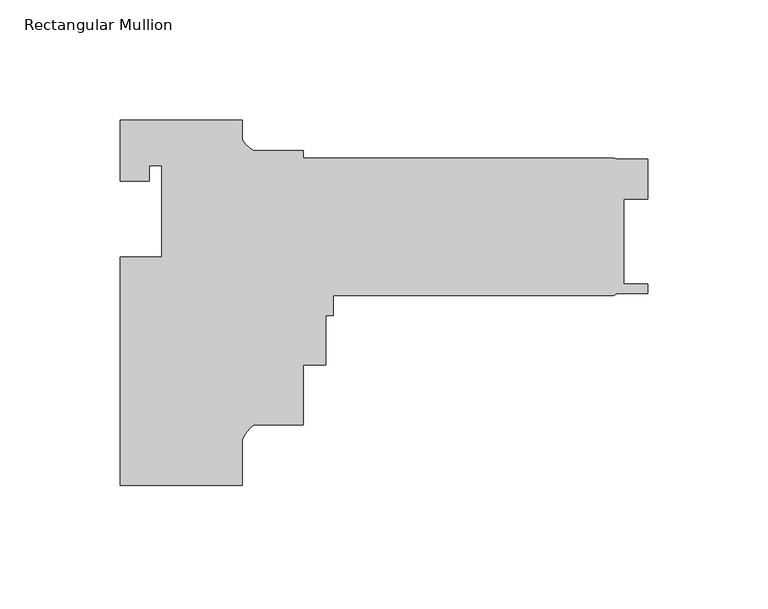
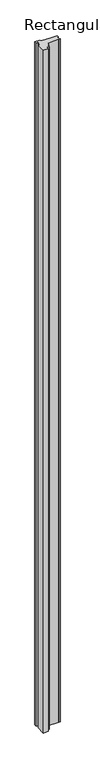
"""IFC4 building model written with IfcOpenShell, lengths in millimetres: member geometry, Rectangular Mullion."""

from ifc_helpers import new_model, si_unit, point, frame, frame_2d, origin, place, context, project, spatial, polyline, circle_curve, trimmed, segment, composite_curve, outline, extrude, source, transform, mapped, element, save


def rectangular_mullion_cdc114e5(model_context):
    return source(origin(), model_context, "Body", "SweptSolid", [
        extrude(outline(composite_curve([segment(polyline([(50.8, -165.1), (0.0, -165.1), (0.0, -69.85), (17.4498, -69.85), (17.4498, -31.75), (12.192, -31.75), (12.192, -38.1), (0.0, -38.1), (0.0, -12.7), (50.8, -12.7), (50.8, -20.9341168)]), True, "CONTINUOUS"), segment(trimmed(circle_curve(frame_2d((62.7094465, -12.906928)), 14.3621265), [point((50.8, -20.9341168))], [point((55.7723453, -25.4825911))], True, "CARTESIAN"), True, "CONTINUOUS"), segment(polyline([(55.7723453, -25.4825911), (76.1999898, -25.4825911), (76.1999898, -28.6575911), (205.5812398, -28.6575911), (207.4089978, -29.114791), (219.8560396, -29.114791), (219.8560396, -45.7771909), (209.8230398, -45.7771909), (209.8230398, -81.0450914), (219.8687398, -81.0450914), (219.8687398, -85.0138411), (207.0499589, -84.9596258), (205.5812398, -85.8075911), (88.8999898, -85.8075911), (88.8999898, -94.1133911), (85.7249898, -94.1133911), (85.7249898, -114.7381911), (76.1999898, -114.7381911), (76.1999898, -139.7825911), (55.6934851, -139.7825911)]), True, "CONTINUOUS"), segment(trimmed(circle_curve(frame_2d((64.9144624, -152.0639521)), 15.3576772), [point((55.6934851, -139.7825911))], [point((50.8, -146.0108371))], True, "CARTESIAN"), True, "CONTINUOUS"), segment(polyline([(50.8, -146.0108371), (50.8, -165.1)]), True, "CONTINUOUS")], self_intersect=False)), frame((0.0, 0.0, -7467.6), z_axis=(0.0, 0.0, 1.0), x_axis=(1.0, 0.0, 0.0)), (0.0, 0.0, 1.0), 7467.6),
    ])


if __name__ == "__main__":
    model = new_model("IFC4")
    model_context = context("Model", 3, world=origin())
    ifc_project = project(units=[si_unit("LENGTHUNIT", "METRE", prefix="MILLI")], contexts=[model_context])
    site = spatial("IfcSite", under=ifc_project)
    building = spatial("IfcBuilding", under=site)
    placement = place(None, origin())
    rectangular_mullion_shape = rectangular_mullion_cdc114e5(model_context)
    element("IfcMember", 1, ObjectType="Rectangular Mullion", at=placement, inside=building, context=model_context, shape_type="MappedRepresentation", body=[
        mapped(rectangular_mullion_shape, transform((0.0, 0.0, 0.0), x_axis=(1.0, 0.0, 0.0), y_axis=(0.0, 1.0, 0.0), z_axis=(0.0, 0.0, 1.0))),
    ])
    save(model, "model.ifc")
